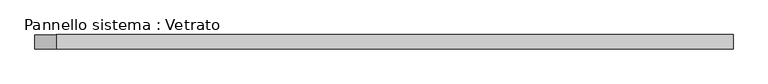
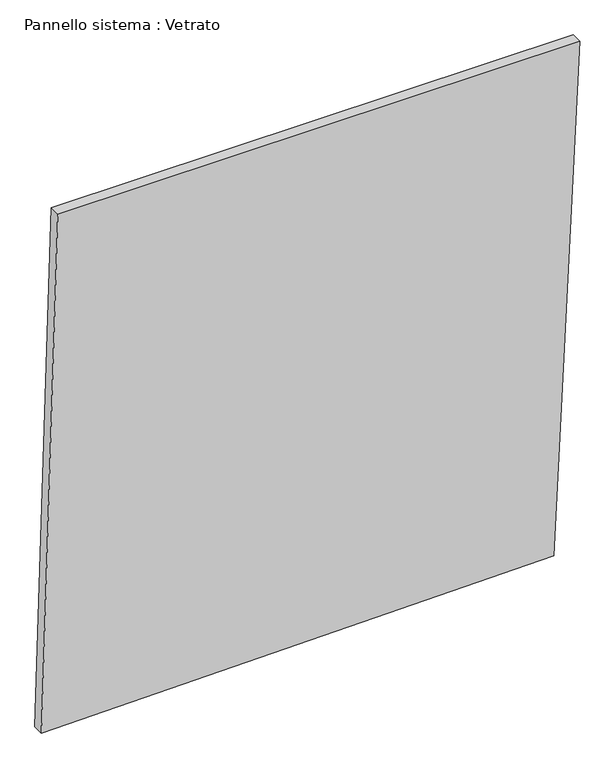
"""IFC4 building model written with IfcOpenShell, lengths in millimetres: plate geometry, Pannello sistema : Vetrato."""

from ifc_helpers import new_model, si_unit, frame, origin, place, context, project, spatial, polyline, outline, extrude, source, transform, mapped, element, save


def pannello_sistema_vetrato_aec220bc(model_context):
    return source(origin(), model_context, "Body", "SweptSolid", [
        extrude(outline(polyline([(0.0, -724.0982386), (22.3002243, 653.9761835), (1459.5752539, 724.0982386), (1459.5752539, -680.0202568), (0.0, -724.0982386)])), frame((0.0, -15.0, 0.0), z_axis=(0.0, 1.0, 0.0), x_axis=(0.0, 0.0, 1.0)), (0.0, 0.0, 1.0), 30.0),
    ])


if __name__ == "__main__":
    model = new_model("IFC4")
    model_context = context("Model", 3, world=origin())
    ifc_project = project(units=[si_unit("LENGTHUNIT", "METRE", prefix="MILLI")], contexts=[model_context])
    site = spatial("IfcSite", under=ifc_project)
    building = spatial("IfcBuilding", under=site)
    placement = place(None, origin())
    pannello_sistema_vetrato_shape = pannello_sistema_vetrato_aec220bc(model_context)
    element("IfcPlate", 1, ObjectType="Pannello sistema : Vetrato", at=placement, inside=building, context=model_context, shape_type="MappedRepresentation", body=[
        mapped(pannello_sistema_vetrato_shape, transform((0.0, 0.0, 0.0), x_axis=(1.0, 0.0, 0.0), y_axis=(0.0, 1.0, 0.0), z_axis=(0.0, 0.0, 1.0))),
    ])
    save(model, "model.ifc")
